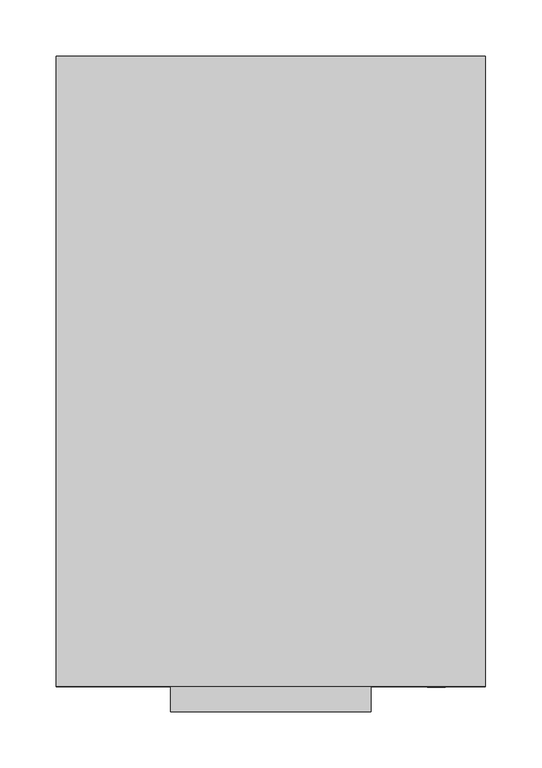
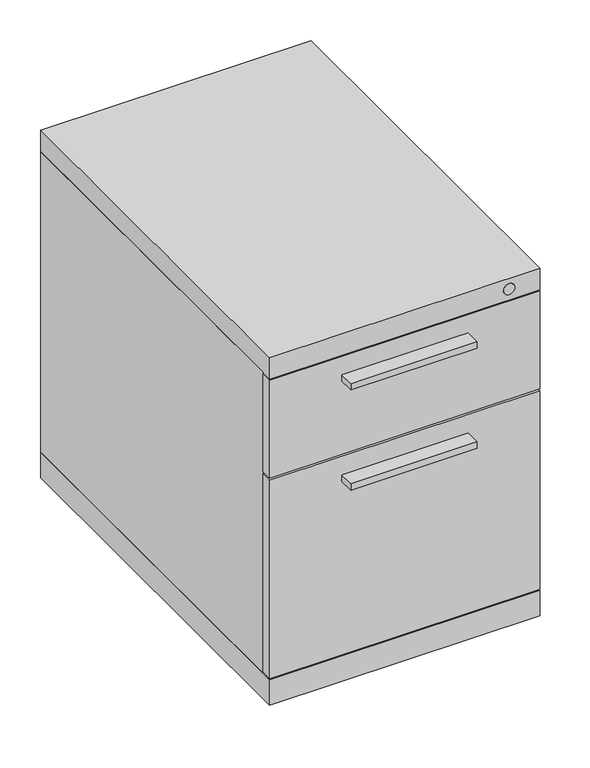
"""IFC4 building model written with IfcOpenShell, lengths in millimetres: furniture geometry."""

import ifcopenshell
import ifcopenshell.guid

model = None  # the IFC model being written
_history = None  # IfcOwnerHistory: only IFC2X3 demands one
_inside = {}  # id of a spatial element -> (the spatial element, [elements in it])
_under = {}  # id of a project, library or spatial element -> (it, [spatial elements below it])
_declared = {}  # id of a project -> (the project, [libraries it declares])
_typed = {}  # id of a type object -> (the type object, [elements of that type])
_made_of = {}  # id of a material, layer set ... -> (it, [elements and type objects made of it])


def new_model(schema):
    """Start an empty IFC model of exactly this schema.

    Asked for "IFC4X3", IfcOpenShell would pick the latest addendum, in which some entities
    have other attributes; the version numbers below select the first issue.
    IFC2X3 requires an IfcOwnerHistory on every rooted entity: one is made here for all.
    """
    global model, _history
    if schema == "IFC4X3":
        model = ifcopenshell.file(schema_version=(4, 3, 0, 0))
    else:
        model = ifcopenshell.file(schema=schema)
    _inside.clear()
    _under.clear()
    _declared.clear()
    _typed.clear()
    _made_of.clear()
    _history = None
    if model.schema == "IFC2X3":
        org = make("IfcOrganization", Name="unknown")
        user = make(
            "IfcPersonAndOrganization",
            ThePerson=make("IfcPerson", FamilyName="unknown"),
            TheOrganization=org,
        )
        app = make(
            "IfcApplication",
            ApplicationDeveloper=org,
            Version="unknown",
            ApplicationFullName="unknown",
            ApplicationIdentifier="unknown",
        )
        _history = make(
            "IfcOwnerHistory",
            OwningUser=user,
            OwningApplication=app,
            ChangeAction="ADDED",
            CreationDate=0,
        )
    return model


def make(cls, **values):
    """One entity of the class cls with the attributes given. An attribute that is None is left unset."""
    return model.create_entity(
        cls, **{name: value for name, value in values.items() if value is not None}
    )


def rooted(cls, **values):
    """An entity with a GlobalId (a new one), such as an element, a storey or a relation."""
    return make(cls, GlobalId=ifcopenshell.guid.new(), OwnerHistory=_history, **values)


def si_unit(unit_type, name, prefix=None):
    """IfcSIUnit, for example si_unit("LENGTHUNIT", "METRE", prefix="MILLI")."""
    return make("IfcSIUnit", UnitType=unit_type, Prefix=prefix, Name=name)


def assignment(units):
    """IfcUnitAssignment: the units of a project."""
    return None if units is None else make("IfcUnitAssignment", Units=units)


def point(xyz):
    """IfcCartesianPoint."""
    return None if xyz is None else make("IfcCartesianPoint", Coordinates=xyz)


def direction(xyz):
    """IfcDirection."""
    return None if xyz is None else make("IfcDirection", DirectionRatios=xyz)


def frame(location, z_axis=None, x_axis=None):
    """IfcAxis2Placement3D, a coordinate frame: its origin and axes. An axis left out is left unset."""
    return make(
        "IfcAxis2Placement3D",
        Location=point(location),
        Axis=direction(z_axis),
        RefDirection=direction(x_axis),
    )


def frame_2d(location, x_axis=None):
    """IfcAxis2Placement2D, a coordinate frame in the plane: its origin and x axis."""
    return make(
        "IfcAxis2Placement2D", Location=point(location), RefDirection=direction(x_axis)
    )


def origin():
    """The frame at (0, 0, 0) with its axes left unset."""
    return frame((0.0, 0.0, 0.0))


def place(relative_to, where):
    """IfcLocalPlacement: puts the frame where relative to a parent placement (None: the world)."""
    return make(
        "IfcLocalPlacement", PlacementRelTo=relative_to, RelativePlacement=where
    )


def context(
    kind, dimensions, precision=None, world=None, true_north=None, identifier=None
):
    """IfcGeometricRepresentationContext, for example the 3D "Model" context."""
    return make(
        "IfcGeometricRepresentationContext",
        ContextIdentifier=identifier,
        ContextType=kind,
        CoordinateSpaceDimension=dimensions,
        Precision=precision,
        WorldCoordinateSystem=world,
        TrueNorth=true_north,
    )


def project(units=None, contexts=None):
    """IfcProject with its units and contexts."""
    return rooted(
        "IfcProject",
        Name="project",
        RepresentationContexts=contexts,
        UnitsInContext=assignment(units),
    )


def spatial(cls, under=None, at=None, **own):
    """A site, building, storey or space (cls), placed at a placement, below another one or the project."""
    s = rooted(cls, ObjectPlacement=at, **own)
    if under is not None:
        _under.setdefault(under.id(), (under, []))[1].append(s)
    return s


def polyline(points):
    """IfcPolyline through the points."""
    return make("IfcPolyline", Points=[point(p) for p in points])


def circle_curve(where, radius):
    """IfcCircle in the frame where."""
    return make("IfcCircle", Position=where, Radius=radius)


def trimmed(basis, trim1, trim2, sense, master):
    """IfcTrimmedCurve: the piece of a basis curve between two trims."""
    return make(
        "IfcTrimmedCurve",
        BasisCurve=basis,
        Trim1=trim1,
        Trim2=trim2,
        SenseAgreement=sense,
        MasterRepresentation=master,
    )


def segment(curve, same_sense, transition):
    """IfcCompositeCurveSegment."""
    return make(
        "IfcCompositeCurveSegment",
        Transition=transition,
        SameSense=same_sense,
        ParentCurve=curve,
    )


def composite_curve(segments, self_intersect=None):
    """IfcCompositeCurve: segments joined end to end."""
    return make("IfcCompositeCurve", Segments=segments, SelfIntersect=self_intersect)


def outline(outer, holes=None, kind="AREA"):
    """IfcArbitraryClosedProfileDef: a profile drawn as a closed curve; with holes, ...WithVoids."""
    if holes is None:
        return make("IfcArbitraryClosedProfileDef", ProfileType=kind, OuterCurve=outer)
    return make(
        "IfcArbitraryProfileDefWithVoids",
        ProfileType=kind,
        OuterCurve=outer,
        InnerCurves=holes,
    )


def extrude(swept, where, along, depth):
    """IfcExtrudedAreaSolid: the profile swept, set in the frame where, extruded along a direction by depth."""
    return make(
        "IfcExtrudedAreaSolid",
        SweptArea=swept,
        Position=where,
        ExtrudedDirection=direction(along),
        Depth=depth,
    )


def shape(context_of_items, identifier, shape_type, items):
    """IfcShapeRepresentation: the items that make up one representation, for example the "Body"."""
    return make(
        "IfcShapeRepresentation",
        ContextOfItems=context_of_items,
        RepresentationIdentifier=identifier,
        RepresentationType=shape_type,
        Items=items,
    )


def source(mapping_origin, context_of_items, identifier, shape_type, items):
    """IfcRepresentationMap: a shape defined once, which mapped items show again and again."""
    return make(
        "IfcRepresentationMap",
        MappingOrigin=mapping_origin,
        MappedRepresentation=shape(context_of_items, identifier, shape_type, items),
    )


def transform(
    local_origin,
    x_axis=None,
    y_axis=None,
    z_axis=None,
    scale=None,
    scale2=None,
    scale3=None,
    uniform=True,
):
    """IfcCartesianTransformationOperator3D, or its non-uniform kind. x_axis, y_axis, z_axis: its Axis1, 2, 3."""
    if uniform:
        return make(
            "IfcCartesianTransformationOperator3D",
            Axis1=direction(x_axis),
            Axis2=direction(y_axis),
            LocalOrigin=point(local_origin),
            Scale=scale,
            Axis3=direction(z_axis),
        )
    return make(
        "IfcCartesianTransformationOperator3DnonUniform",
        Axis1=direction(x_axis),
        Axis2=direction(y_axis),
        LocalOrigin=point(local_origin),
        Scale=scale,
        Axis3=direction(z_axis),
        Scale2=scale2,
        Scale3=scale3,
    )


def mapped(mapping_source, mapping_target):
    """IfcMappedItem: shows the shape of a source again, moved by a transform."""
    return make(
        "IfcMappedItem", MappingSource=mapping_source, MappingTarget=mapping_target
    )


def made_of(thing, what):
    """Note that an element or type object is made of a material, layer set ...; save() writes the relation."""
    if what is not None:
        _made_of.setdefault(what.id(), (what, []))[1].append(thing)
    return thing


def element(
    cls,
    number,
    at=None,
    inside=None,
    cuts=None,
    type_object=None,
    material=None,
    context=None,
    identifier="Body",
    shape_type=None,
    held_by="IfcProductDefinitionShape",
    body=None,
    shapes=None,
    **own,
):
    """One element of the class cls, such as IfcWall. Its Tag is "e" and its number.

    at: its placement. inside: the storey or other place that contains it. cuts: it is an
    opening in that element (IfcRelVoidsElement). A single representation is given by context,
    identifier, shape_type and body (its items); several are given by shapes. held_by: the class
    of the entity that holds the representations. save() writes the other relations.
    """
    e = rooted(cls, Tag="e%d" % number, ObjectPlacement=at, **own)
    if body is not None:
        shapes = [shape(context, identifier, shape_type, body)]
    if shapes is not None:
        e.Representation = make(held_by, Representations=shapes)
    if inside is not None:
        _inside.setdefault(inside.id(), (inside, []))[1].append(e)
    if cuts is not None:
        rooted(
            "IfcRelVoidsElement", RelatingBuildingElement=cuts, RelatedOpeningElement=e
        )
    if type_object is not None:
        _typed.setdefault(type_object.id(), (type_object, []))[1].append(e)
    return made_of(e, material)


def aggregate(whole, parts):
    """IfcRelAggregates: a whole, such as a stair, and the parts it consists of."""
    return rooted("IfcRelAggregates", RelatingObject=whole, RelatedObjects=parts)


def save(model, path):
    """Write the relations noted so far, then the file.

    IfcRelAggregates (storeys below a building ...), IfcRelContainedInSpatialStructure (elements
    in a storey), IfcRelDefinesByType, IfcRelAssociatesMaterial and IfcRelDeclares: one each for
    every whole, place, type object, material and project.
    """
    for whole, parts in _under.values():
        aggregate(whole, parts)
    for where, things in _inside.values():
        rooted(
            "IfcRelContainedInSpatialStructure",
            RelatedElements=things,
            RelatingStructure=where,
        )
    for kind, things in _typed.values():
        rooted("IfcRelDefinesByType", RelatedObjects=things, RelatingType=kind)
    for what, things in _made_of.values():
        rooted("IfcRelAssociatesMaterial", RelatedObjects=things, RelatingMaterial=what)
    for by, libraries in _declared.values():
        rooted("IfcRelDeclares", RelatingContext=by, RelatedDefinitions=libraries)
    model.write(path)


def furniture_a6565209(model_context):
    return source(origin(), model_context, "Body", "SweptSolid", [
        extrude(outline(composite_curve([segment(trimmed(circle_curve(frame_2d((-203.2, 25.0009829)), 25.0009829), [point((-178.9176, 19.05))], [point((-227.4824, 19.05))], False, "CARTESIAN"), True, "CONTINUOUS"), segment(polyline([(-227.4824, 19.05), (-178.9176, 19.05)]), True, "CONTINUOUS")], self_intersect=False)), frame((-136.525, 0.0, 0.0), z_axis=(1.0, 0.0, 0.0), x_axis=(0.0, 1.0, 0.0)), (0.0, 0.0, 1.0), 15.875),
        extrude(outline(composite_curve([segment(polyline([(-227.4824, 19.05), (-178.9176, 19.05)]), True, "CONTINUOUS"), segment(trimmed(circle_curve(frame_2d((-203.2, 25.0009829)), 25.0009829), [point((-178.9176, 19.05))], [point((-227.4824, 19.05))], False, "CARTESIAN"), True, "CONTINUOUS")], self_intersect=False)), frame((-107.95, 0.0, 0.0), z_axis=(1.0, 0.0, 0.0), x_axis=(0.0, 1.0, 0.0)), (0.0, 0.0, 1.0), 15.875),
        extrude(outline(composite_curve([segment(trimmed(circle_curve(frame_2d((-203.2, 25.0009829)), 25.0009829), [point((-178.9176, 19.05))], [point((-227.4824, 19.05))], False, "CARTESIAN"), True, "CONTINUOUS"), segment(polyline([(-227.4824, 19.05), (-178.9176, 19.05)]), True, "CONTINUOUS")], self_intersect=False)), frame((92.075, 0.0, 0.0), z_axis=(1.0, 0.0, 0.0), x_axis=(0.0, 1.0, 0.0)), (0.0, 0.0, 1.0), 15.875),
        extrude(outline(composite_curve([segment(polyline([(-227.4824, 19.05), (-178.9176, 19.05)]), True, "CONTINUOUS"), segment(trimmed(circle_curve(frame_2d((-203.2, 25.0009829)), 25.0009829), [point((-178.9176, 19.05))], [point((-227.4824, 19.05))], False, "CARTESIAN"), True, "CONTINUOUS")], self_intersect=False)), frame((120.65, 0.0, 0.0), z_axis=(1.0, 0.0, 0.0), x_axis=(0.0, 1.0, 0.0)), (0.0, 0.0, 1.0), 15.875),
        extrude(outline(composite_curve([segment(trimmed(circle_curve(frame_2d((203.2, 25.0009829)), 25.0009829), [point((227.4824, 19.05))], [point((178.9176, 19.05))], False, "CARTESIAN"), True, "CONTINUOUS"), segment(polyline([(178.9176, 19.05), (227.4824, 19.05)]), True, "CONTINUOUS")], self_intersect=False)), frame((92.075, 0.0, 0.0), z_axis=(1.0, 0.0, 0.0), x_axis=(0.0, 1.0, 0.0)), (0.0, 0.0, 1.0), 15.875),
        extrude(outline(composite_curve([segment(polyline([(178.9176, 19.05), (227.4824, 19.05)]), True, "CONTINUOUS"), segment(trimmed(circle_curve(frame_2d((203.2, 25.0009829)), 25.0009829), [point((227.4824, 19.05))], [point((178.9176, 19.05))], False, "CARTESIAN"), True, "CONTINUOUS")], self_intersect=False)), frame((120.65, 0.0, 0.0), z_axis=(1.0, 0.0, 0.0), x_axis=(0.0, 1.0, 0.0)), (0.0, 0.0, 1.0), 15.875),
        extrude(outline(composite_curve([segment(trimmed(circle_curve(frame_2d((203.2, 25.0009829)), 25.0009829), [point((227.4824, 19.05))], [point((178.9176, 19.05))], False, "CARTESIAN"), True, "CONTINUOUS"), segment(polyline([(178.9176, 19.05), (227.4824, 19.05)]), True, "CONTINUOUS")], self_intersect=False)), frame((-136.525, 0.0, 0.0), z_axis=(1.0, 0.0, 0.0), x_axis=(0.0, 1.0, 0.0)), (0.0, 0.0, 1.0), 15.875),
        extrude(outline(composite_curve([segment(polyline([(178.9176, 19.05), (227.4824, 19.05)]), True, "CONTINUOUS"), segment(trimmed(circle_curve(frame_2d((203.2, 25.0009829)), 25.0009829), [point((227.4824, 19.05))], [point((178.9176, 19.05))], False, "CARTESIAN"), True, "CONTINUOUS")], self_intersect=False)), frame((-107.95, 0.0, 0.0), z_axis=(1.0, 0.0, 0.0), x_axis=(0.0, 1.0, 0.0)), (0.0, 0.0, 1.0), 15.875),
        extrude(outline(polyline([(-190.5, -279.4), (-190.5, -262.7376), (190.5, -262.7376), (190.5, -279.4), (-190.5, -279.4)])), frame((0.0, 0.0, 58.7375), z_axis=(0.0, 0.0, 1.0), x_axis=(1.0, 0.0, 0.0)), (0.0, 0.0, 1.0), 295.275),
        extrude(outline(polyline([(-190.5, -279.4), (-190.5, -262.7376), (190.5, -262.7376), (190.5, -279.4), (-190.5, -279.4)])), frame((0.0, 0.0, 357.1875), z_axis=(0.0, 0.0, 1.0), x_axis=(1.0, 0.0, 0.0)), (0.0, 0.0, 1.0), 146.05),
        extrude(outline(polyline([(190.5, 279.4), (190.5, -262.7376), (-190.5, -262.7376), (-190.5, 279.4), (190.5, 279.4)])), frame((0.0, 0.0, 57.15), z_axis=(0.0, 0.0, 1.0), x_axis=(1.0, 0.0, 0.0)), (0.0, 0.0, 1.0), 447.675),
        extrude(outline(polyline([(190.5, 279.4), (190.5, -279.4), (-190.5, -279.4), (-190.5, 279.4), (190.5, 279.4)])), frame((0.0, 0.0, 504.825), z_axis=(0.0, 0.0, 1.0), x_axis=(1.0, 0.0, 0.0)), (0.0, 0.0, 1.0), 31.75),
        extrude(outline(polyline([(190.5, 279.4), (190.5, -279.4), (-190.5, -279.4), (-190.5, 279.4), (190.5, 279.4)])), frame((0.0, 0.0, 19.05), z_axis=(0.0, 0.0, 1.0), x_axis=(1.0, 0.0, 0.0)), (0.0, 0.0, 1.0), 38.1),
        extrude(outline(polyline([(-88.9, -279.4), (88.9, -279.4), (88.9, -301.625), (-88.9, -301.625), (-88.9, -279.4)])), frame((0.0, 0.0, 317.5), z_axis=(0.0, 0.0, 1.0), x_axis=(1.0, 0.0, 0.0)), (0.0, 0.0, 1.0), 9.525),
        extrude(outline(polyline([(-88.9, -279.4), (88.9, -279.4), (88.9, -301.625), (-88.9, -301.625), (-88.9, -279.4)])), frame((0.0, 0.0, 466.725), z_axis=(0.0, 0.0, 1.0), x_axis=(1.0, 0.0, 0.0)), (0.0, 0.0, 1.0), 9.525),
        extrude(outline(composite_curve([segment(trimmed(circle_curve(frame_2d((521.5255, 146.84248)), 8.001), [point((521.5255, 154.84348))], [point((521.5255, 138.84148))], False, "CARTESIAN"), True, "CONTINUOUS"), segment(trimmed(circle_curve(frame_2d((521.5255, 146.84248)), 8.001), [point((521.5255, 138.84148))], [point((521.5255, 154.84348))], False, "CARTESIAN"), True, "CONTINUOUS")], self_intersect=False)), frame((0.0, -280.19502, 0.0), z_axis=(0.0, 1.0, 0.0), x_axis=(0.0, 0.0, 1.0)), (0.0, 0.0, 1.0), 0.79502),
    ])


if __name__ == "__main__":
    model = new_model("IFC4")
    model_context = context("Model", 3, world=origin())
    ifc_project = project(units=[si_unit("LENGTHUNIT", "METRE", prefix="MILLI")], contexts=[model_context])
    site = spatial("IfcSite", under=ifc_project)
    building = spatial("IfcBuilding", under=site)
    placement = place(None, origin())
    furniture_shape = furniture_a6565209(model_context)
    element("IfcFurniture", 1, at=placement, inside=building, context=model_context, shape_type="MappedRepresentation", body=[
        mapped(furniture_shape, transform((0.0, 0.0, 0.0), x_axis=(1.0, 0.0, 0.0), y_axis=(0.0, 1.0, 0.0), z_axis=(0.0, 0.0, 1.0))),
    ])
    save(model, "model.ifc")
